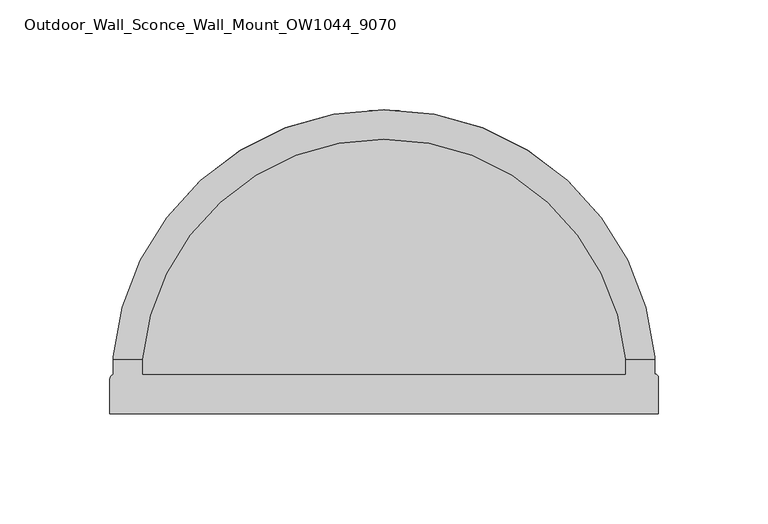
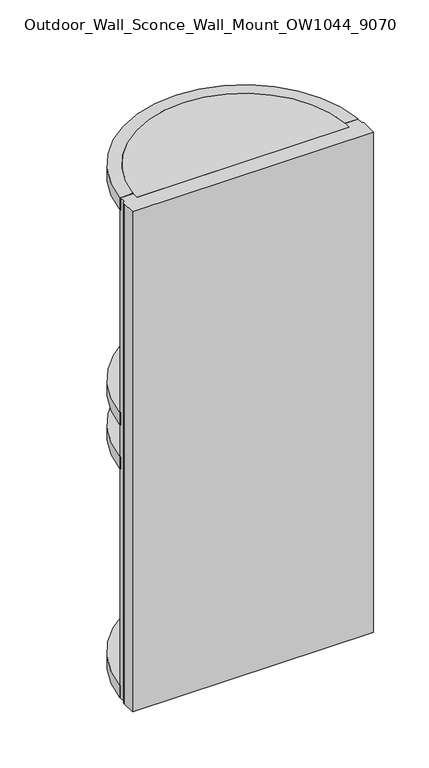
"""IFC4 building model written with IfcOpenShell, lengths in millimetres: light fixture geometry, Outdoor_Wall_Sconce_Wall_Mount_OW1044_9070."""

from ifc_helpers import new_model, si_unit, point, frame, frame_2d, origin, place, context, project, spatial, polyline, circle_curve, trimmed, segment, composite_curve, outline, extrude, source, transform, mapped, element, save


def outdoor_wall_sconce_wall_mount_ow1044_9070_33db83d6(model_context):
    return source(origin(), model_context, "Body", "SweptSolid", [
        extrude(outline(polyline([(6.8522406, 205.4308852), (-6.7477594, 205.4308852), (-6.7477594, 217.421726), (6.8522406, 217.421726), (6.8522406, 205.4308852)])), frame((0.0, 0.0, 1563.4118696), z_axis=(0.0, 0.0, 1.0), x_axis=(1.0, 0.0, 0.0)), (0.0, 0.0, 1.0), 238.0881304),
        extrude(outline(polyline([(6.8522406, 205.4308852), (-6.7477594, 205.4308852), (-6.7477594, 217.421726), (6.8522406, 217.421726), (6.8522406, 205.4308852)])), frame((0.0, 0.0, 1863.5), z_axis=(0.0, 0.0, 1.0), x_axis=(1.0, 0.0, 0.0)), (0.0, 0.0, 1.0), 223.0881304),
        extrude(outline(composite_curve([segment(polyline([(-110.1059979, 97.1057061), (-110.1059979, 103.8557061)]), True, "CONTINUOUS"), segment(trimmed(circle_curve(frame_2d((-0.2254465, 94.0904274)), 110.3136267), [point((-110.1059979, 103.8557061))], [point((0.0, 204.4038237))], False, "CARTESIAN"), True, "CONTINUOUS"), segment(trimmed(circle_curve(frame_2d((0.2254465, 94.0904274)), 110.3136267), [point((0.0, 204.4038237))], [point((110.0856392, 104.0821385))], False, "CARTESIAN"), True, "CONTINUOUS"), segment(polyline([(110.0856392, 104.0821385), (110.0856392, 97.1057061), (-110.1059979, 97.1057061)]), True, "CONTINUOUS")], self_intersect=False)), frame((0.0, 0.0, 1550.0), z_axis=(0.0, 0.0, 1.0), x_axis=(1.0, 0.0, 0.0)), (0.0, 0.0, 1.0), 550.0),
        extrude(outline(composite_curve([segment(trimmed(circle_curve(frame_2d((-0.2433996, 94.1671629)), 110.2369381), [point((0.0522406, 204.4037046))], [point((-110.0537572, 103.8557061))], True, "CARTESIAN"), True, "CONTINUOUS"), segment(polyline([(-110.0537572, 103.8557061), (-123.5015167, 103.8557061), (-123.5015167, 105.0421989)]), True, "CONTINUOUS"), segment(trimmed(circle_curve(frame_2d((-0.2433996, 94.1671629)), 123.7369381), [point((-123.5015167, 105.0421989))], [point((0.0522406, 217.9037478))], False, "CARTESIAN"), True, "CONTINUOUS"), segment(trimmed(circle_curve(frame_2d((0.3478808, 94.1671629)), 123.7369381), [point((0.0522406, 217.9037478))], [point((123.605998, 105.0421989))], False, "CARTESIAN"), True, "CONTINUOUS"), segment(polyline([(123.605998, 105.0421989), (123.605998, 103.8437564), (110.1592922, 103.8437564)]), True, "CONTINUOUS"), segment(trimmed(circle_curve(frame_2d((0.3478808, 94.1671629)), 110.2369381), [point((110.1592922, 103.8437564))], [point((0.0522406, 204.4037046))], True, "CARTESIAN"), True, "CONTINUOUS")], self_intersect=False)), frame((0.0, 0.0, 1850.0), z_axis=(0.0, 0.0, 1.0), x_axis=(1.0, 0.0, 0.0)), (0.0, 0.0, 1.0), 13.5),
        extrude(outline(composite_curve([segment(trimmed(circle_curve(frame_2d((-0.2433996, 94.1671629)), 110.2369381), [point((0.0522406, 204.4037046))], [point((-110.0537572, 103.8557061))], True, "CARTESIAN"), True, "CONTINUOUS"), segment(polyline([(-110.0537572, 103.8557061), (-123.5015167, 103.8557061), (-123.5015167, 105.0421989)]), True, "CONTINUOUS"), segment(trimmed(circle_curve(frame_2d((-0.2433996, 94.1671629)), 123.7369381), [point((-123.5015167, 105.0421989))], [point((0.0522406, 217.9037478))], False, "CARTESIAN"), True, "CONTINUOUS"), segment(trimmed(circle_curve(frame_2d((0.3478808, 94.1671629)), 123.7369381), [point((0.0522406, 217.9037478))], [point((123.605998, 105.0421989))], False, "CARTESIAN"), True, "CONTINUOUS"), segment(polyline([(123.605998, 105.0421989), (123.605998, 103.8437564), (110.1592922, 103.8437564)]), True, "CONTINUOUS"), segment(trimmed(circle_curve(frame_2d((0.3478808, 94.1671629)), 110.2369381), [point((110.1592922, 103.8437564))], [point((0.0522406, 204.4037046))], True, "CARTESIAN"), True, "CONTINUOUS")], self_intersect=False)), frame((0.0, 0.0, 1801.5), z_axis=(0.0, 0.0, 1.0), x_axis=(1.0, 0.0, 0.0)), (0.0, 0.0, 1.0), 13.5),
        extrude(outline(composite_curve([segment(trimmed(circle_curve(frame_2d((-0.3769276, 94.1671629)), 110.2369381), [point((-0.0812874, 204.4037046))], [point((-110.1872853, 103.8557061))], True, "CARTESIAN"), True, "CONTINUOUS"), segment(polyline([(-110.1872853, 103.8557061), (-123.6350447, 103.8557061), (-123.6350447, 105.0421989)]), True, "CONTINUOUS"), segment(trimmed(circle_curve(frame_2d((-0.3769276, 94.1671629)), 123.7369381), [point((-123.6350447, 105.0421989))], [point((-0.0812874, 217.9037478))], False, "CARTESIAN"), True, "CONTINUOUS"), segment(trimmed(circle_curve(frame_2d((0.2143528, 94.1671629)), 123.7369381), [point((-0.0812874, 217.9037478))], [point((123.4724699, 105.0421989))], False, "CARTESIAN"), True, "CONTINUOUS"), segment(polyline([(123.4724699, 105.0421989), (123.4724699, 103.8437564), (110.0257641, 103.8437564)]), True, "CONTINUOUS"), segment(trimmed(circle_curve(frame_2d((0.2143528, 94.1671629)), 110.2369381), [point((110.0257641, 103.8437564))], [point((-0.0812874, 204.4037046))], True, "CARTESIAN"), True, "CONTINUOUS")], self_intersect=False)), frame((0.0, 0.0, 1550.0), z_axis=(0.0, 0.0, 1.0), x_axis=(1.0, 0.0, 0.0)), (0.0, 0.0, 1.0), 13.5),
        extrude(outline(composite_curve([segment(trimmed(circle_curve(frame_2d((-0.2956402, 94.1671629)), 110.2369381), [point((0.0, 204.4037046))], [point((-110.1059979, 103.8557061))], True, "CARTESIAN"), True, "CONTINUOUS"), segment(polyline([(-110.1059979, 103.8557061), (-123.5537573, 103.8557061), (-123.5537573, 105.0421989)]), True, "CONTINUOUS"), segment(trimmed(circle_curve(frame_2d((-0.2956402, 94.1671629)), 123.7369381), [point((-123.5537573, 105.0421989))], [point((0.0, 217.9037478))], False, "CARTESIAN"), True, "CONTINUOUS"), segment(trimmed(circle_curve(frame_2d((0.2956402, 94.1671629)), 123.7369381), [point((0.0, 217.9037478))], [point((123.5537573, 105.0421989))], False, "CARTESIAN"), True, "CONTINUOUS"), segment(polyline([(123.5537573, 105.0421989), (123.5537573, 103.8437564), (110.1070515, 103.8437564)]), True, "CONTINUOUS"), segment(trimmed(circle_curve(frame_2d((0.2956402, 94.1671629)), 110.2369381), [point((110.1070515, 103.8437564))], [point((0.0, 204.4037046))], True, "CARTESIAN"), True, "CONTINUOUS")], self_intersect=False)), frame((0.0, 0.0, 2086.5), z_axis=(0.0, 0.0, 1.0), x_axis=(1.0, 0.0, 0.0)), (0.0, 0.0, 1.0), 13.5),
        extrude(outline(composite_curve([segment(polyline([(125.2799978, 79.0157055), (-125.2799978, 79.0157055), (-125.2799978, 94.1907061)]), True, "CONTINUOUS"), segment(trimmed(circle_curve(frame_2d((-121.8475703, 94.1753941)), 3.4324617), [point((-125.2799978, 94.1907061))], [point((-123.6350447, 97.1057061))], False, "CARTESIAN"), True, "CONTINUOUS"), segment(polyline([(-123.6350447, 97.1057061), (-123.6350447, 103.8557061), (-110.1059979, 103.8557061), (-110.1059979, 97.1057061), (110.0856392, 97.1057061), (110.0856392, 103.8557061), (123.605998, 103.8557061), (123.605998, 97.0922599)]), True, "CONTINUOUS"), segment(trimmed(circle_curve(frame_2d((123.605998, 95.41826)), 1.6739999), [point((123.605998, 97.0922599))], [point((125.2799978, 95.41826))], False, "CARTESIAN"), True, "CONTINUOUS"), segment(polyline([(125.2799978, 95.41826), (125.2799978, 79.0157055)]), True, "CONTINUOUS")], self_intersect=False)), frame((0.0, 0.0, 1550.0), z_axis=(0.0, 0.0, 1.0), x_axis=(1.0, 0.0, 0.0)), (0.0, 0.0, 1.0), 550.0),
    ])


if __name__ == "__main__":
    model = new_model("IFC4")
    model_context = context("Model", 3, world=origin())
    ifc_project = project(units=[si_unit("LENGTHUNIT", "METRE", prefix="MILLI")], contexts=[model_context])
    site = spatial("IfcSite", under=ifc_project)
    building = spatial("IfcBuilding", under=site)
    placement = place(None, origin())
    outdoor_wall_sconce_wall_mount_ow1044_9070_shape = outdoor_wall_sconce_wall_mount_ow1044_9070_33db83d6(model_context)
    element("IfcLightFixture", 1, ObjectType="Outdoor_Wall_Sconce_Wall_Mount_OW1044_9070", at=placement, inside=building, context=model_context, shape_type="MappedRepresentation", body=[
        mapped(outdoor_wall_sconce_wall_mount_ow1044_9070_shape, transform((0.0, 0.0, 0.0), x_axis=(1.0, 0.0, 0.0), y_axis=(0.0, 1.0, 0.0), z_axis=(0.0, 0.0, 1.0))),
    ])
    save(model, "model.ifc")
